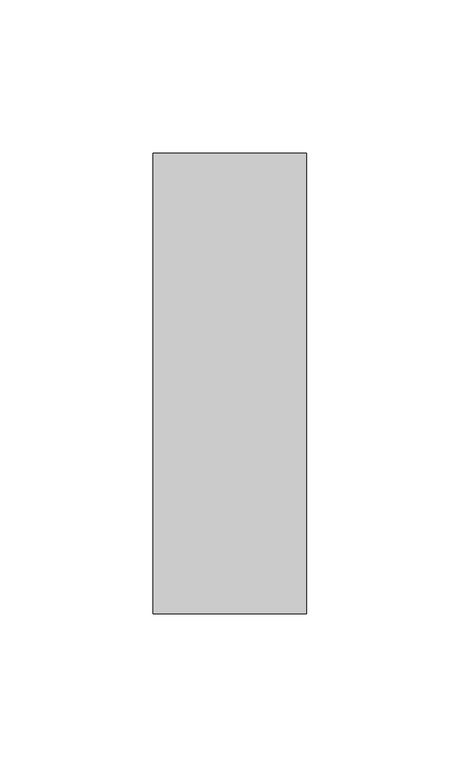
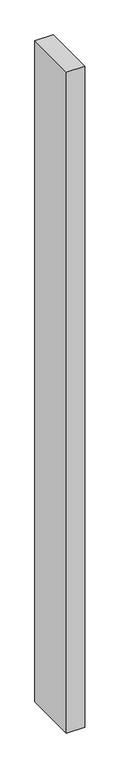
"""IFC4 building model written with IfcOpenShell, lengths in millimetres: member geometry."""

from ifc_helpers import new_model, si_unit, frame, origin, place, context, project, spatial, polyline, outline, extrude, source, transform, mapped, element, save


def member_37c4cb32(model_context):
    return source(origin(), model_context, "Body", "SweptSolid", [
        extrude(outline(polyline([(25.0, 75.0), (25.0, -75.0), (-25.0, -75.0), (-25.0, 75.0), (25.0, 75.0)])), frame((0.0, 0.0, -1917.9891185), z_axis=(0.0, 0.0, 1.0), x_axis=(1.0, 0.0, 0.0)), (0.0, 0.0, 1.0), 1917.9891185),
    ])


if __name__ == "__main__":
    model = new_model("IFC4")
    model_context = context("Model", 3, world=origin())
    ifc_project = project(units=[si_unit("LENGTHUNIT", "METRE", prefix="MILLI")], contexts=[model_context])
    site = spatial("IfcSite", under=ifc_project)
    building = spatial("IfcBuilding", under=site)
    placement = place(None, origin())
    member_shape = member_37c4cb32(model_context)
    element("IfcMember", 1, at=placement, inside=building, context=model_context, shape_type="MappedRepresentation", body=[
        mapped(member_shape, transform((0.0, 0.0, 0.0), x_axis=(1.0, 0.0, 0.0), y_axis=(0.0, 1.0, 0.0), z_axis=(0.0, 0.0, 1.0))),
    ])
    save(model, "model.ifc")
